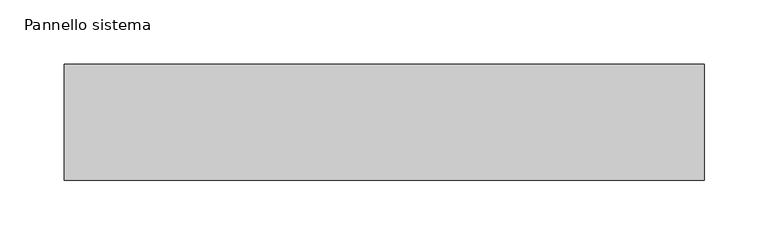
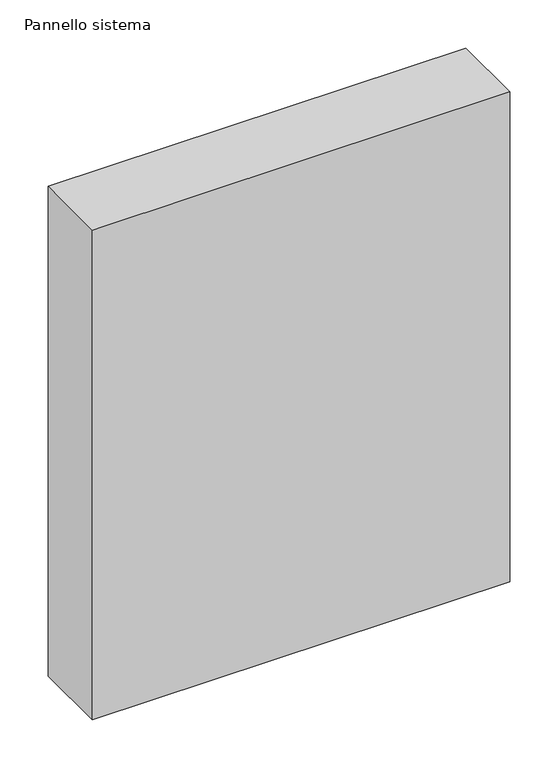
"""IFC4 building model written with IfcOpenShell, lengths in millimetres: plate geometry, Pannello sistema."""

import ifcopenshell
import ifcopenshell.guid

model = None  # the IFC model being written
_history = None  # IfcOwnerHistory: only IFC2X3 demands one
_inside = {}  # id of a spatial element -> (the spatial element, [elements in it])
_under = {}  # id of a project, library or spatial element -> (it, [spatial elements below it])
_declared = {}  # id of a project -> (the project, [libraries it declares])
_typed = {}  # id of a type object -> (the type object, [elements of that type])
_made_of = {}  # id of a material, layer set ... -> (it, [elements and type objects made of it])


def new_model(schema):
    """Start an empty IFC model of exactly this schema.

    Asked for "IFC4X3", IfcOpenShell would pick the latest addendum, in which some entities
    have other attributes; the version numbers below select the first issue.
    IFC2X3 requires an IfcOwnerHistory on every rooted entity: one is made here for all.
    """
    global model, _history
    if schema == "IFC4X3":
        model = ifcopenshell.file(schema_version=(4, 3, 0, 0))
    else:
        model = ifcopenshell.file(schema=schema)
    _inside.clear()
    _under.clear()
    _declared.clear()
    _typed.clear()
    _made_of.clear()
    _history = None
    if model.schema == "IFC2X3":
        org = make("IfcOrganization", Name="unknown")
        user = make(
            "IfcPersonAndOrganization",
            ThePerson=make("IfcPerson", FamilyName="unknown"),
            TheOrganization=org,
        )
        app = make(
            "IfcApplication",
            ApplicationDeveloper=org,
            Version="unknown",
            ApplicationFullName="unknown",
            ApplicationIdentifier="unknown",
        )
        _history = make(
            "IfcOwnerHistory",
            OwningUser=user,
            OwningApplication=app,
            ChangeAction="ADDED",
            CreationDate=0,
        )
    return model


def make(cls, **values):
    """One entity of the class cls with the attributes given. An attribute that is None is left unset."""
    return model.create_entity(
        cls, **{name: value for name, value in values.items() if value is not None}
    )


def rooted(cls, **values):
    """An entity with a GlobalId (a new one), such as an element, a storey or a relation."""
    return make(cls, GlobalId=ifcopenshell.guid.new(), OwnerHistory=_history, **values)


def si_unit(unit_type, name, prefix=None):
    """IfcSIUnit, for example si_unit("LENGTHUNIT", "METRE", prefix="MILLI")."""
    return make("IfcSIUnit", UnitType=unit_type, Prefix=prefix, Name=name)


def assignment(units):
    """IfcUnitAssignment: the units of a project."""
    return None if units is None else make("IfcUnitAssignment", Units=units)


def point(xyz):
    """IfcCartesianPoint."""
    return None if xyz is None else make("IfcCartesianPoint", Coordinates=xyz)


def direction(xyz):
    """IfcDirection."""
    return None if xyz is None else make("IfcDirection", DirectionRatios=xyz)


def frame(location, z_axis=None, x_axis=None):
    """IfcAxis2Placement3D, a coordinate frame: its origin and axes. An axis left out is left unset."""
    return make(
        "IfcAxis2Placement3D",
        Location=point(location),
        Axis=direction(z_axis),
        RefDirection=direction(x_axis),
    )


def origin():
    """The frame at (0, 0, 0) with its axes left unset."""
    return frame((0.0, 0.0, 0.0))


def origin_with_axes():
    """The frame at (0, 0, 0) with the z axis (0, 0, 1) and the x axis (1, 0, 0) written out."""
    return frame((0.0, 0.0, 0.0), z_axis=(0.0, 0.0, 1.0), x_axis=(1.0, 0.0, 0.0))


def place(relative_to, where):
    """IfcLocalPlacement: puts the frame where relative to a parent placement (None: the world)."""
    return make(
        "IfcLocalPlacement", PlacementRelTo=relative_to, RelativePlacement=where
    )


def context(
    kind, dimensions, precision=None, world=None, true_north=None, identifier=None
):
    """IfcGeometricRepresentationContext, for example the 3D "Model" context."""
    return make(
        "IfcGeometricRepresentationContext",
        ContextIdentifier=identifier,
        ContextType=kind,
        CoordinateSpaceDimension=dimensions,
        Precision=precision,
        WorldCoordinateSystem=world,
        TrueNorth=true_north,
    )


def project(units=None, contexts=None):
    """IfcProject with its units and contexts."""
    return rooted(
        "IfcProject",
        Name="project",
        RepresentationContexts=contexts,
        UnitsInContext=assignment(units),
    )


def spatial(cls, under=None, at=None, **own):
    """A site, building, storey or space (cls), placed at a placement, below another one or the project."""
    s = rooted(cls, ObjectPlacement=at, **own)
    if under is not None:
        _under.setdefault(under.id(), (under, []))[1].append(s)
    return s


def polyline(points):
    """IfcPolyline through the points."""
    return make("IfcPolyline", Points=[point(p) for p in points])


def outline(outer, holes=None, kind="AREA"):
    """IfcArbitraryClosedProfileDef: a profile drawn as a closed curve; with holes, ...WithVoids."""
    if holes is None:
        return make("IfcArbitraryClosedProfileDef", ProfileType=kind, OuterCurve=outer)
    return make(
        "IfcArbitraryProfileDefWithVoids",
        ProfileType=kind,
        OuterCurve=outer,
        InnerCurves=holes,
    )


def extrude(swept, where, along, depth):
    """IfcExtrudedAreaSolid: the profile swept, set in the frame where, extruded along a direction by depth."""
    return make(
        "IfcExtrudedAreaSolid",
        SweptArea=swept,
        Position=where,
        ExtrudedDirection=direction(along),
        Depth=depth,
    )


def shape(context_of_items, identifier, shape_type, items):
    """IfcShapeRepresentation: the items that make up one representation, for example the "Body"."""
    return make(
        "IfcShapeRepresentation",
        ContextOfItems=context_of_items,
        RepresentationIdentifier=identifier,
        RepresentationType=shape_type,
        Items=items,
    )


def source(mapping_origin, context_of_items, identifier, shape_type, items):
    """IfcRepresentationMap: a shape defined once, which mapped items show again and again."""
    return make(
        "IfcRepresentationMap",
        MappingOrigin=mapping_origin,
        MappedRepresentation=shape(context_of_items, identifier, shape_type, items),
    )


def transform(
    local_origin,
    x_axis=None,
    y_axis=None,
    z_axis=None,
    scale=None,
    scale2=None,
    scale3=None,
    uniform=True,
):
    """IfcCartesianTransformationOperator3D, or its non-uniform kind. x_axis, y_axis, z_axis: its Axis1, 2, 3."""
    if uniform:
        return make(
            "IfcCartesianTransformationOperator3D",
            Axis1=direction(x_axis),
            Axis2=direction(y_axis),
            LocalOrigin=point(local_origin),
            Scale=scale,
            Axis3=direction(z_axis),
        )
    return make(
        "IfcCartesianTransformationOperator3DnonUniform",
        Axis1=direction(x_axis),
        Axis2=direction(y_axis),
        LocalOrigin=point(local_origin),
        Scale=scale,
        Axis3=direction(z_axis),
        Scale2=scale2,
        Scale3=scale3,
    )


def mapped(mapping_source, mapping_target):
    """IfcMappedItem: shows the shape of a source again, moved by a transform."""
    return make(
        "IfcMappedItem", MappingSource=mapping_source, MappingTarget=mapping_target
    )


def made_of(thing, what):
    """Note that an element or type object is made of a material, layer set ...; save() writes the relation."""
    if what is not None:
        _made_of.setdefault(what.id(), (what, []))[1].append(thing)
    return thing


def element(
    cls,
    number,
    at=None,
    inside=None,
    cuts=None,
    type_object=None,
    material=None,
    context=None,
    identifier="Body",
    shape_type=None,
    held_by="IfcProductDefinitionShape",
    body=None,
    shapes=None,
    **own,
):
    """One element of the class cls, such as IfcWall. Its Tag is "e" and its number.

    at: its placement. inside: the storey or other place that contains it. cuts: it is an
    opening in that element (IfcRelVoidsElement). A single representation is given by context,
    identifier, shape_type and body (its items); several are given by shapes. held_by: the class
    of the entity that holds the representations. save() writes the other relations.
    """
    e = rooted(cls, Tag="e%d" % number, ObjectPlacement=at, **own)
    if body is not None:
        shapes = [shape(context, identifier, shape_type, body)]
    if shapes is not None:
        e.Representation = make(held_by, Representations=shapes)
    if inside is not None:
        _inside.setdefault(inside.id(), (inside, []))[1].append(e)
    if cuts is not None:
        rooted(
            "IfcRelVoidsElement", RelatingBuildingElement=cuts, RelatedOpeningElement=e
        )
    if type_object is not None:
        _typed.setdefault(type_object.id(), (type_object, []))[1].append(e)
    return made_of(e, material)


def aggregate(whole, parts):
    """IfcRelAggregates: a whole, such as a stair, and the parts it consists of."""
    return rooted("IfcRelAggregates", RelatingObject=whole, RelatedObjects=parts)


def save(model, path):
    """Write the relations noted so far, then the file.

    IfcRelAggregates (storeys below a building ...), IfcRelContainedInSpatialStructure (elements
    in a storey), IfcRelDefinesByType, IfcRelAssociatesMaterial and IfcRelDeclares: one each for
    every whole, place, type object, material and project.
    """
    for whole, parts in _under.values():
        aggregate(whole, parts)
    for where, things in _inside.values():
        rooted(
            "IfcRelContainedInSpatialStructure",
            RelatedElements=things,
            RelatingStructure=where,
        )
    for kind, things in _typed.values():
        rooted("IfcRelDefinesByType", RelatedObjects=things, RelatingType=kind)
    for what, things in _made_of.values():
        rooted("IfcRelAssociatesMaterial", RelatedObjects=things, RelatingMaterial=what)
    for by, libraries in _declared.values():
        rooted("IfcRelDeclares", RelatingContext=by, RelatedDefinitions=libraries)
    model.write(path)


def pannello_sistema_4dea17ee(model_context):
    return source(origin(), model_context, "Body", "SweptSolid", [
        extrude(outline(polyline([(250.0, -45.5), (-250.0, -45.5), (-250.0, 45.5), (250.0, 45.5), (250.0, -45.5)])), origin_with_axes(), (0.0, 0.0, 1.0), 620.0),
    ])


if __name__ == "__main__":
    model = new_model("IFC4")
    model_context = context("Model", 3, world=origin())
    ifc_project = project(units=[si_unit("LENGTHUNIT", "METRE", prefix="MILLI")], contexts=[model_context])
    site = spatial("IfcSite", under=ifc_project)
    building = spatial("IfcBuilding", under=site)
    placement = place(None, origin())
    pannello_sistema_shape = pannello_sistema_4dea17ee(model_context)
    element("IfcPlate", 1, ObjectType="Pannello sistema", at=placement, inside=building, context=model_context, shape_type="MappedRepresentation", body=[
        mapped(pannello_sistema_shape, transform((0.0, 0.0, 0.0), x_axis=(1.0, 0.0, 0.0), y_axis=(0.0, 1.0, 0.0), z_axis=(0.0, 0.0, 1.0))),
    ])
    save(model, "model.ifc")
